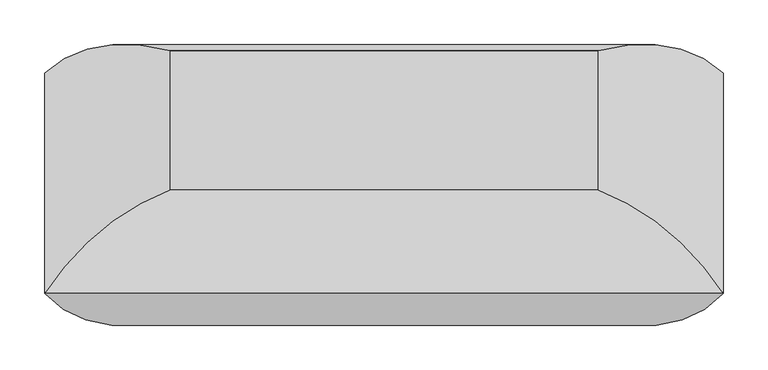
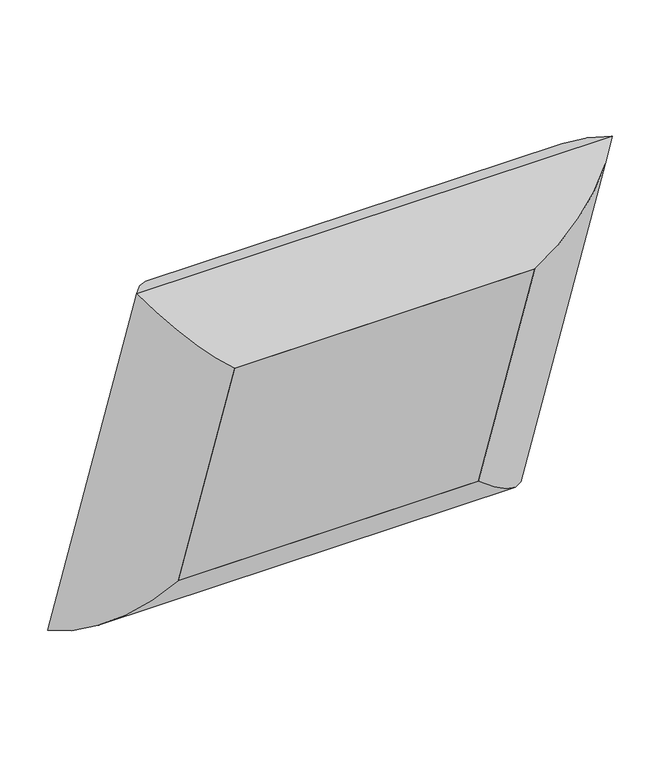
"""IFC4 building model written with IfcOpenShell, lengths in millimetres: furniture geometry."""

from ifc_helpers import new_model, si_unit, frame, origin, place, context, project, spatial, polyline, ellipse_curve, outline, extrude, source, transform, mapped, element, save
from ifc_brep_helpers import plane_surface, cylinder_surface, advanced_brep


def furniture_6cd6c925(model_context):
    return source(origin(), model_context, "Body", "SolidModel", [
        advanced_brep(
        [(-240.50625, -275.8654115, 993.7851912), (-380.6741804, -247.8707807, 1151.6690176), (-380.6741804, 0.0, 431.8), (-240.50625, -119.2630596, 538.9789373), (-240.50625, -131.7683806, 1043.4017779), (-240.50625, 24.8339713, 588.5955241), (380.6741804, 0.0, 431.8), (240.50625, -119.2630596, 538.9789373), (240.50625, 24.8339713, 588.5955241), (380.6741804, -247.8707807, 1151.6690176), (240.50625, -275.8654115, 993.7851912), (240.50625, -131.7683806, 1043.4017779)],
        [
            (0, 1, ellipse_curve(frame((-235.726504, -110.0823213, 1045.8137287), z_axis=(-0.7071067811865476, 0.23021144975504032, -0.6685825965441237), x_axis=(-0.7071067811865474, -0.2302114497550404, 0.6685825965441239)), 245.7274984, 173.7555804)),
            (1, 2),
            (2, 3, ellipse_curve(frame((-235.726504, 43.4077645, 600.0461521), z_axis=(-0.7071067811865472, -0.2302114497550405, 0.668582596544124), x_axis=(0.7071067811865479, -0.23021144975504018, 0.6685825965441233)), 245.7274984, 173.7555804)),
            (3, 0),
            (4, 0),
            (3, 5),
            (5, 4),
            (1, 4, ellipse_curve(frame((-231.3179464, -304.9779024, 974.0432168), z_axis=(-0.7071067811865476, 0.23021144975504032, -0.6685825965441237), x_axis=(-0.7071067811865474, -0.2302114497550404, 0.6685825965441239)), 263.8641638, 186.5801395)),
            (5, 2, ellipse_curve(frame((-231.3179464, -154.3583886, 536.6123863), z_axis=(-0.7071067811865472, -0.2302114497550405, 0.668582596544124), x_axis=(0.7071067811865479, -0.23021144975504018, 0.6685825965441233)), 263.8641638, 186.5801395)),
            (2, 6),
            (6, 7, ellipse_curve(frame((235.726504, 43.4077645, 600.0461521), z_axis=(-0.7071067811865477, 0.23021144975504018, -0.6685825965441236), x_axis=(-0.7071067811865474, -0.2302114497550404, 0.6685825965441239)), 245.7274984, 173.7555804)),
            (7, 3),
            (7, 8),
            (8, 5),
            (8, 6, ellipse_curve(frame((231.3179464, -154.3583886, 536.6123863), z_axis=(-0.7071067811865477, 0.23021144975504018, -0.6685825965441236), x_axis=(-0.7071067811865474, -0.2302114497550404, 0.6685825965441239)), 263.8641638, 186.5801395)),
            (6, 9),
            (9, 10, ellipse_curve(frame((235.726504, -110.0823213, 1045.8137287), z_axis=(0.7071067811865474, 0.23021144975504035, -0.6685825965441238), x_axis=(-0.7071067811865475, 0.23021144975504026, -0.6685825965441238)), 245.7274984, 173.7555804)),
            (10, 7),
            (10, 11),
            (11, 8),
            (11, 9, ellipse_curve(frame((231.3179464, -304.9779024, 974.0432168), z_axis=(0.7071067811865474, 0.23021144975504035, -0.6685825965441238), x_axis=(-0.7071067811865475, 0.23021144975504026, -0.6685825965441238)), 263.8641638, 186.5801395)),
            (9, 1),
            (0, 10),
            (4, 11),
        ],
        [
            cylinder_surface(frame((-235.726504, -111.6384543, 1050.3330674), z_axis=(0.0, -0.3255681544571504, 0.9455185755993191), x_axis=(0.0, -0.9455185755993191, -0.3255681544571504)), 173.7555804),
            plane_surface(frame((-240.50625, -275.8654115, 993.7851912), z_axis=(1.0, 0.0, 0.0), x_axis=(0.0, 0.3255681544571505, -0.945518575599319))),
            cylinder_surface(frame((-231.3179464, -307.9693215, 982.7309285), z_axis=(0.0, -0.3255681544571504, 0.9455185755993191), x_axis=(0.0, -0.9455185755993191, -0.3255681544571504)), 186.5801395),
            cylinder_surface(frame((-240.50625, 43.4077645, 600.0461521), z_axis=(-1.0, 0.0, 0.0), x_axis=(0.0, -0.9455185755993188, -0.32556815445715087)), 173.7555804),
            plane_surface(frame((-240.50625, -119.2630596, 538.9789373), z_axis=(0.0, -0.3255681544571507, 0.945518575599319), x_axis=(1.0, 0.0, 0.0))),
            cylinder_surface(frame((-240.50625, -154.3583886, 536.6123863), z_axis=(-1.0, 0.0, 0.0), x_axis=(0.0, -0.9455185755993188, -0.32556815445715087)), 186.5801395),
            cylinder_surface(frame((235.726504, 44.9638976, 595.5268135), z_axis=(0.0, 0.32556815445715037, -0.9455185755993191), x_axis=(0.0, -0.9455185755993191, -0.32556815445715037)), 173.7555804),
            plane_surface(frame((240.50625, -119.2630596, 538.9789373), z_axis=(-1.0, 0.0, 0.0), x_axis=(0.0, -0.3255681544571506, 0.945518575599319))),
            cylinder_surface(frame((231.3179464, -151.3669696, 527.9246746), z_axis=(0.0, 0.32556815445715037, -0.9455185755993191), x_axis=(0.0, -0.9455185755993191, -0.32556815445715037)), 186.5801395),
            cylinder_surface(frame((240.50625, -110.0823213, 1045.8137287), z_axis=(1.0000000000000002, 0.0, 0.0), x_axis=(0.0, -0.9455185755993193, -0.3255681544571499)), 173.7555804),
            plane_surface(frame((240.50625, -275.8654115, 993.7851912), z_axis=(0.0, 0.3255681544571501, -0.9455185755993192), x_axis=(-1.0, 0.0, 0.0))),
            cylinder_surface(frame((240.50625, -304.9779024, 974.0432168), z_axis=(1.0000000000000002, 0.0, 0.0), x_axis=(0.0, -0.9455185755993193, -0.3255681544571499)), 186.5801395),
        ],
        [
            (0, [[1, 2, 3, 4]]),
            (1, [[5, -4, 6, 7]]),
            (2, [[8, -7, 9, -2]]),
            (3, [[-3, 10, 11, 12]]),
            (4, [[-6, -12, 13, 14]]),
            (5, [[-9, -14, 15, -10]]),
            (6, [[-11, 16, 17, 18]]),
            (7, [[-13, -18, 19, 20]]),
            (8, [[-15, -20, 21, -16]]),
            (9, [[-17, 22, -1, 23]]),
            (10, [[-19, -23, -5, 24]]),
            (11, [[-21, -24, -8, -22]]),
        ],
    ),
        extrude(outline(polyline([(0.0, -481.0125), (0.0, 0.0), (152.4, 0.0), (152.4, -481.0125), (0.0, -481.0125)])), frame((-240.50625, -119.2630596, 538.9789373), z_axis=(0.0, -0.3255681544571504, 0.945518575599319), x_axis=(0.0, 0.945518575599319, 0.3255681544571504)), (0.0, 0.0, 1.0), 481.0125),
    ])


if __name__ == "__main__":
    model = new_model("IFC4")
    model_context = context("Model", 3, world=origin())
    ifc_project = project(units=[si_unit("LENGTHUNIT", "METRE", prefix="MILLI")], contexts=[model_context])
    site = spatial("IfcSite", under=ifc_project)
    building = spatial("IfcBuilding", under=site)
    placement = place(None, origin())
    furniture_shape = furniture_6cd6c925(model_context)
    element("IfcFurniture", 1, at=placement, inside=building, context=model_context, shape_type="MappedRepresentation", body=[
        mapped(furniture_shape, transform((0.0, 0.0, 0.0), x_axis=(1.0, 0.0, 0.0), y_axis=(0.0, 1.0, 0.0), z_axis=(0.0, 0.0, 1.0))),
    ])
    save(model, "model.ifc")
